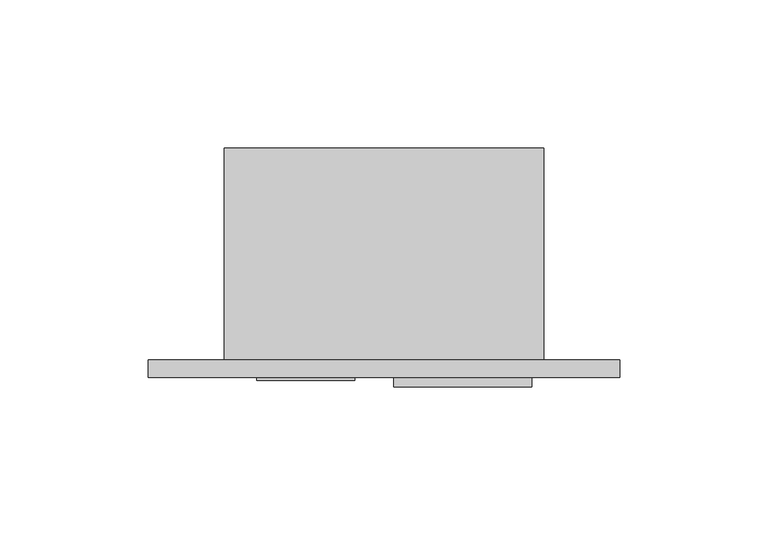
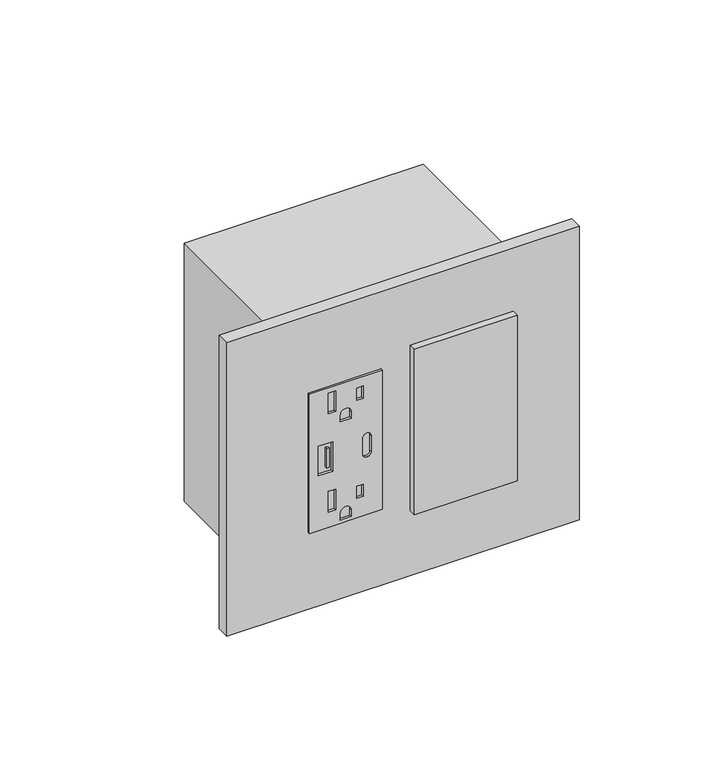
"""IFC4 building model written with IfcOpenShell, lengths in millimetres: proxy geometry."""

from ifc_helpers import new_model, si_unit, point, frame, frame_2d, origin, place, context, project, spatial, polyline, circle_curve, trimmed, segment, composite_curve, outline, extrude, source, transform, mapped, element, save


def electrical_fixtures_bc09baf7(model_context):
    return source(origin(), model_context, "Body", "SweptSolid", [
        extrude(outline(polyline([(414.1844229, 44.0944), (414.1844229, 11.0998), (347.6364229, 11.0998), (347.6364229, 44.0944), (414.1844229, 44.0944)]), holes=[polyline([(411.7460229, 22.9616), (401.9184878, 22.9616), (401.9184878, 19.6342), (411.7460229, 19.6342), (411.7460229, 22.9616)]), polyline([(409.7405554, 35.41014), (403.9239554, 35.41014), (403.9239554, 32.4358), (409.7405554, 32.4358), (409.7405554, 35.41014)]), composite_curve([segment(polyline([(396.1504229, 30.0609), (396.1504229, 25.1333), (399.2492229, 25.1333)]), True, "CONTINUOUS"), segment(trimmed(circle_curve(frame_2d((399.2492229, 27.5971)), 2.4638), [point((399.2492229, 25.1333))], [point((399.2492229, 30.0609))], True, "CARTESIAN"), True, "CONTINUOUS"), segment(polyline([(399.2492229, 30.0609), (396.1504229, 30.0609)]), True, "CONTINUOUS")], self_intersect=False), polyline([(364.7560229, 22.9616), (354.9284878, 22.9616), (354.9284878, 19.6342), (364.7560229, 19.6342), (364.7560229, 22.9616)]), polyline([(362.7505554, 35.41014), (356.9339554, 35.41014), (356.9339554, 32.4358), (362.7505554, 32.4358), (362.7505554, 35.41014)]), composite_curve([segment(polyline([(349.1604229, 30.0609), (349.1604229, 25.1333), (352.2592229, 25.1333)]), True, "CONTINUOUS"), segment(trimmed(circle_curve(frame_2d((352.2592229, 27.5971)), 2.4638), [point((352.2592229, 25.1333))], [point((352.2592229, 30.0609))], True, "CARTESIAN"), True, "CONTINUOUS"), segment(polyline([(352.2592229, 30.0609), (349.1604229, 30.0609)]), True, "CONTINUOUS")], self_intersect=False), polyline([(387.9589229, 21.59), (373.8619229, 21.59), (373.8619229, 15.0876), (387.9589229, 15.0876), (387.9589229, 21.59)]), composite_curve([segment(trimmed(circle_curve(frame_2d((377.1258229, 37.1348)), 1.905), [point((377.1258229, 39.0398))], [point((377.1258229, 35.2298))], True, "CARTESIAN"), True, "CONTINUOUS"), segment(polyline([(377.1258229, 35.2298), (384.6950229, 35.2298)]), True, "CONTINUOUS"), segment(trimmed(circle_curve(frame_2d((384.6950229, 37.1348)), 1.905), [point((384.6950229, 35.2298))], [point((384.6950229, 39.0398))], True, "CARTESIAN"), True, "CONTINUOUS"), segment(polyline([(384.6950229, 39.0398), (377.1258229, 39.0398)]), True, "CONTINUOUS")], self_intersect=False)]), frame((0.0, -6.9294746, 0.0), z_axis=(0.0, 1.0, 0.0), x_axis=(0.0, 0.0, 1.0)), (0.0, 0.0, 1.0), 1.0366746),
        extrude(outline(polyline([(20.0803959, -6.9294746), (18.9613268, -6.9294746), (18.9613268, -5.8928), (20.0803959, -5.8928), (20.0803959, -6.9294746)])), frame((0.0, 0.0, 376.2102391), z_axis=(0.0, 0.0, 1.0), x_axis=(1.0, 0.0, 0.0)), (0.0, 0.0, 1.0), 9.2470447),
        extrude(outline(polyline([(57.3278, -5.8928), (103.8606, -5.8928), (103.8606, -9.0678), (57.3278, -9.0678), (57.3278, -5.8928)])), frame((0.0, 0.0, 341.7026971), z_axis=(0.0, 0.0, 1.0), x_axis=(1.0, 0.0, 0.0)), (0.0, 0.0, 1.0), 79.0448),
        extrude(outline(polyline([(-25.6794, 0.0), (133.7056, 0.0), (133.7056, -5.8928), (-25.6794, -5.8928), (-25.6794, 0.0)])), frame((0.0, 0.0, 310.7302229), z_axis=(0.0, 0.0, 1.0), x_axis=(1.0, 0.0, 0.0)), (0.0, 0.0, 1.0), 140.3604),
        extrude(outline(polyline([(108.0262, 0.0), (0.0, 0.0), (0.0, 71.7296), (108.0262, 71.7296), (108.0262, 0.0)])), frame((0.0, 0.0, 319.1630229), z_axis=(0.0, 0.0, 1.0), x_axis=(1.0, 0.0, 0.0)), (0.0, 0.0, 1.0), 123.4948),
    ])


if __name__ == "__main__":
    model = new_model("IFC4")
    model_context = context("Model", 3, world=origin())
    ifc_project = project(units=[si_unit("LENGTHUNIT", "METRE", prefix="MILLI")], contexts=[model_context])
    site = spatial("IfcSite", under=ifc_project)
    building = spatial("IfcBuilding", under=site)
    placement = place(None, origin())
    electrical_fixtures_shape = electrical_fixtures_bc09baf7(model_context)
    element("IfcBuildingElementProxy", 1, Name="Electrical Fixtures", at=placement, inside=building, context=model_context, shape_type="MappedRepresentation", body=[
        mapped(electrical_fixtures_shape, transform((0.0, 0.0, 0.0), x_axis=(1.0, 0.0, 0.0), y_axis=(0.0, 1.0, 0.0), z_axis=(0.0, 0.0, 1.0))),
    ])
    save(model, "model.ifc")
